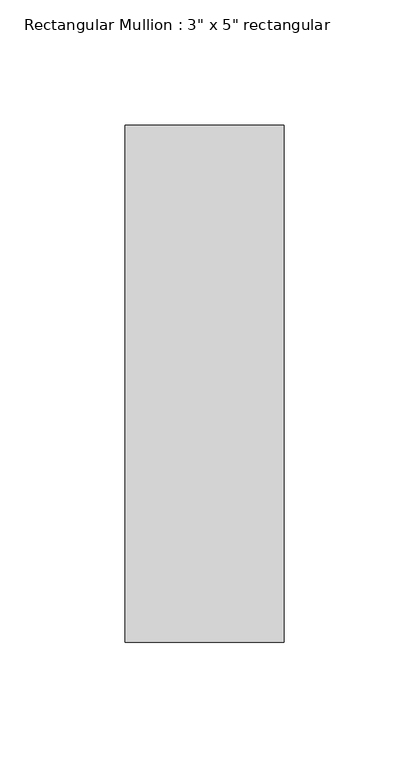
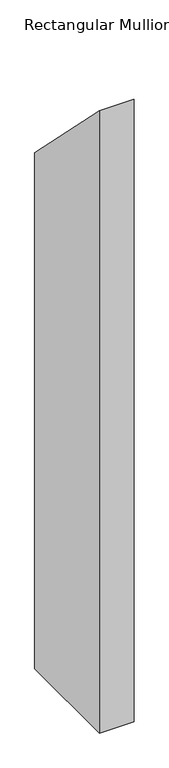
"""IFC4 building model written with IfcOpenShell, lengths in millimetres: member geometry."""

from ifc_helpers import new_model, si_unit, frame, origin, place, context, project, spatial, polyline, outline, extrude, source, transform, mapped, element, save


def member_85017f49(model_context):
    return source(origin(), model_context, "Body", "SweptSolid", [
        extrude(outline(polyline([(-115.951, 115.951), (90.551, -90.551), (90.551, -1092.2), (-115.951, -1092.2), (-115.951, 115.951)])), frame((-63.5, 0.0, 0.0), z_axis=(1.0, 0.0, 0.0), x_axis=(0.0, 1.0, 0.0)), (0.0, 0.0, 1.0), 63.5),
    ])


if __name__ == "__main__":
    model = new_model("IFC4")
    model_context = context("Model", 3, world=origin())
    ifc_project = project(units=[si_unit("LENGTHUNIT", "METRE", prefix="MILLI")], contexts=[model_context])
    site = spatial("IfcSite", under=ifc_project)
    building = spatial("IfcBuilding", under=site)
    placement = place(None, origin())
    member_shape = member_85017f49(model_context)
    element("IfcMember", 1, ObjectType="Rectangular Mullion : 3\" x 5\" rectangular", at=placement, inside=building, context=model_context, shape_type="MappedRepresentation", body=[
        mapped(member_shape, transform((0.0, 0.0, 0.0), x_axis=(1.0, 0.0, 0.0), y_axis=(0.0, 1.0, 0.0), z_axis=(0.0, 0.0, 1.0))),
    ])
    save(model, "model.ifc")
